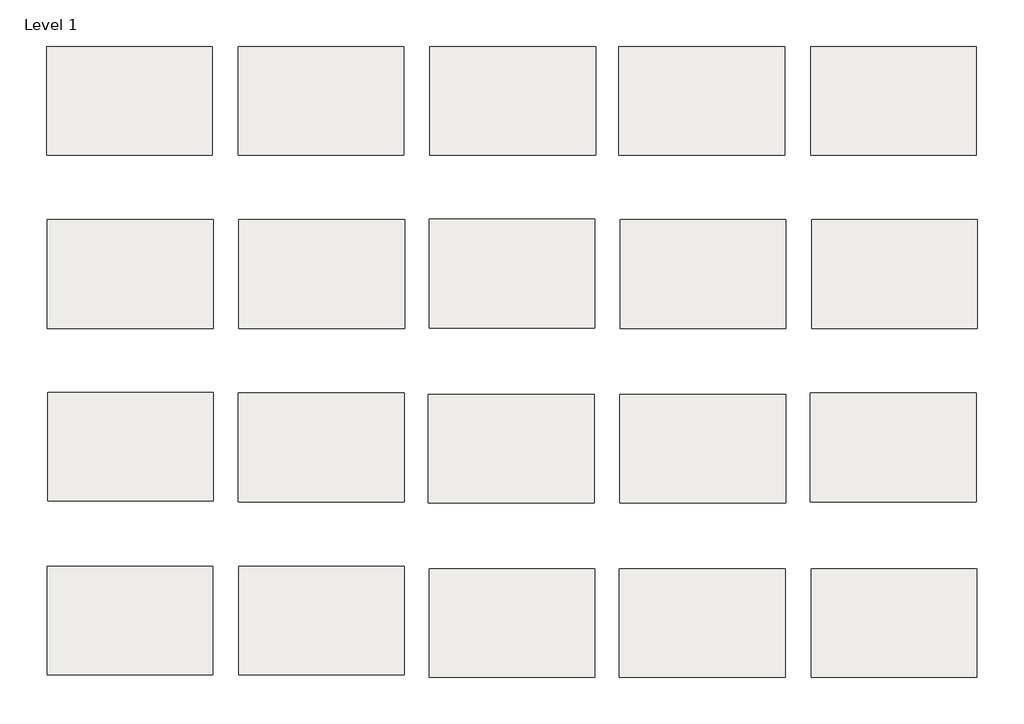
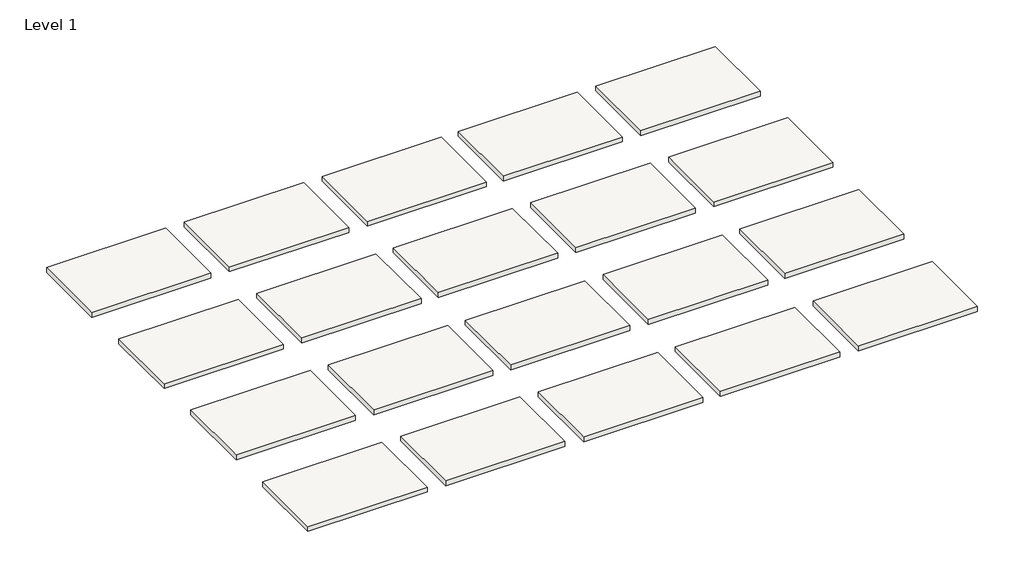
# One storey: 20 slabs.
"""IFC4 building model written with IfcOpenShell, lengths in millimetres."""

from ifc_helpers import new_model, si_unit, frame, origin, place, context, project, spatial, polyline, outline, extrude, element, save

model = new_model("IFC4")

# Units and contexts
model_context = context("Model", 3, world=origin())
ifc_project = project(units=[si_unit("LENGTHUNIT", "METRE", prefix="MILLI")], contexts=[model_context])

# Site, building, storey
site = spatial("IfcSite", under=ifc_project)
building = spatial("IfcBuilding", under=site)
storey = spatial("IfcBuildingStorey", under=building, Name="Level 1", Elevation=0.0)

# Slabs
placement = place(None, origin())
element("IfcSlab", 1, at=placement, inside=storey, context=model_context, shape_type="SweptSolid", body=[
    extrude(outline(polyline([(-4506.3287931, 8901.5063956), (-4506.3287931, 9168.2063956), (-4099.9287931, 9168.2063956), (-4099.9287931, 8901.5063956), (-4506.3287931, 8901.5063956)])), frame((0.0, 0.0, -17.4625), z_axis=(0.0, 0.0, 1.0), x_axis=(1.0, 0.0, 0.0)), (0.0, 0.0, 1.0), 17.4625),
])
element("IfcSlab", 2, at=placement, inside=storey, context=model_context, shape_type="SweptSolid", body=[
    extrude(outline(polyline([(-4036.4287931, 8901.5063956), (-4036.4287931, 9168.2063956), (-3630.0287931, 9168.2063956), (-3630.0287931, 8901.5063956), (-4036.4287931, 8901.5063956)])), frame((0.0, 0.0, -17.4625), z_axis=(0.0, 0.0, 1.0), x_axis=(1.0, 0.0, 0.0)), (0.0, 0.0, 1.0), 17.4625),
])
element("IfcSlab", 3, at=placement, inside=storey, context=model_context, shape_type="SweptSolid", body=[
    extrude(outline(polyline([(-3566.5287931, 8901.5063956), (-3566.5287931, 9168.2063956), (-3160.1287931, 9168.2063956), (-3160.1287931, 8901.5063956), (-3566.5287931, 8901.5063956)])), frame((0.0, 0.0, -17.4625), z_axis=(0.0, 0.0, 1.0), x_axis=(1.0, 0.0, 0.0)), (0.0, 0.0, 1.0), 17.4625),
])
element("IfcSlab", 4, at=placement, inside=storey, context=model_context, shape_type="SweptSolid", body=[
    extrude(outline(polyline([(-3102.9787931, 8901.5063956), (-3102.9787931, 9168.2063956), (-2696.5787931, 9168.2063956), (-2696.5787931, 8901.5063956), (-3102.9787931, 8901.5063956)])), frame((0.0, 0.0, -17.4625), z_axis=(0.0, 0.0, 1.0), x_axis=(1.0, 0.0, 0.0)), (0.0, 0.0, 1.0), 17.4625),
])
element("IfcSlab", 5, at=placement, inside=storey, context=model_context, shape_type="SweptSolid", body=[
    extrude(outline(polyline([(-2633.0787931, 8901.5063956), (-2633.0787931, 9168.2063956), (-2226.6787931, 9168.2063956), (-2226.6787931, 8901.5063956), (-2633.0787931, 8901.5063956)])), frame((0.0, 0.0, -17.4625), z_axis=(0.0, 0.0, 1.0), x_axis=(1.0, 0.0, 0.0)), (0.0, 0.0, 1.0), 17.4625),
])
element("IfcSlab", 6, at=placement, inside=storey, context=model_context, shape_type="SweptSolid", body=[
    extrude(outline(polyline([(-4504.4777662, 8476.7858803), (-4504.4777662, 8743.4858803), (-4098.0777662, 8743.4858803), (-4098.0777662, 8476.7858803), (-4504.4777662, 8476.7858803)])), frame((0.0, 0.0, -17.4625), z_axis=(0.0, 0.0, 1.0), x_axis=(1.0, 0.0, 0.0)), (0.0, 0.0, 1.0), 17.4625),
])
element("IfcSlab", 7, at=placement, inside=storey, context=model_context, shape_type="SweptSolid", body=[
    extrude(outline(polyline([(-4034.5777662, 8476.7858803), (-4034.5777662, 8743.4858803), (-3628.1777662, 8743.4858803), (-3628.1777662, 8476.7858803), (-4034.5777662, 8476.7858803)])), frame((0.0, 0.0, -17.4625), z_axis=(0.0, 0.0, 1.0), x_axis=(1.0, 0.0, 0.0)), (0.0, 0.0, 1.0), 17.4625),
])
element("IfcSlab", 8, at=placement, inside=storey, context=model_context, shape_type="SweptSolid", body=[
    extrude(outline(polyline([(-3568.3848601, 8477.8867532), (-3568.3848601, 8744.5867532), (-3161.9848601, 8744.5867532), (-3161.9848601, 8477.8867532), (-3568.3848601, 8477.8867532)])), frame((0.0, 0.0, -17.4625), z_axis=(0.0, 0.0, 1.0), x_axis=(1.0, 0.0, 0.0)), (0.0, 0.0, 1.0), 17.4625),
])
element("IfcSlab", 9, at=placement, inside=storey, context=model_context, shape_type="SweptSolid", body=[
    extrude(outline(polyline([(-3100.1858183, 8476.4486428), (-3100.1858183, 8743.1486428), (-2693.7858183, 8743.1486428), (-2693.7858183, 8476.4486428), (-3100.1858183, 8476.4486428)])), frame((0.0, 0.0, -17.4625), z_axis=(0.0, 0.0, 1.0), x_axis=(1.0, 0.0, 0.0)), (0.0, 0.0, 1.0), 17.4625),
])
element("IfcSlab", 10, at=placement, inside=storey, context=model_context, shape_type="SweptSolid", body=[
    extrude(outline(polyline([(-2630.2858183, 8476.4486428), (-2630.2858183, 8743.1486428), (-2223.8858183, 8743.1486428), (-2223.8858183, 8476.4486428), (-2630.2858183, 8476.4486428)])), frame((0.0, 0.0, -17.4625), z_axis=(0.0, 0.0, 1.0), x_axis=(1.0, 0.0, 0.0)), (0.0, 0.0, 1.0), 17.4625),
])
element("IfcSlab", 11, at=placement, inside=storey, context=model_context, shape_type="SweptSolid", body=[
    extrude(outline(polyline([(-4503.5978646, 8053.0773086), (-4503.5978646, 8319.7773086), (-4097.1978646, 8319.7773086), (-4097.1978646, 8053.0773086), (-4503.5978646, 8053.0773086)])), frame((0.0, 0.0, -17.4625), z_axis=(0.0, 0.0, 1.0), x_axis=(1.0, 0.0, 0.0)), (0.0, 0.0, 1.0), 17.4625),
])
element("IfcSlab", 12, at=placement, inside=storey, context=model_context, shape_type="SweptSolid", body=[
    extrude(outline(polyline([(-4036.1813519, 8050.9024723), (-4036.1813519, 8317.6024723), (-3629.7813519, 8317.6024723), (-3629.7813519, 8050.9024723), (-4036.1813519, 8050.9024723)])), frame((0.0, 0.0, -17.4625), z_axis=(0.0, 0.0, 1.0), x_axis=(1.0, 0.0, 0.0)), (0.0, 0.0, 1.0), 17.4625),
])
element("IfcSlab", 13, at=placement, inside=storey, context=model_context, shape_type="SweptSolid", body=[
    extrude(outline(polyline([(-3570.3285517, 8048.0751853), (-3570.3285517, 8314.7751853), (-3163.9285517, 8314.7751853), (-3163.9285517, 8048.0751853), (-3570.3285517, 8048.0751853)])), frame((0.0, 0.0, -17.4625), z_axis=(0.0, 0.0, 1.0), x_axis=(1.0, 0.0, 0.0)), (0.0, 0.0, 1.0), 17.4625),
])
element("IfcSlab", 14, at=placement, inside=storey, context=model_context, shape_type="SweptSolid", body=[
    extrude(outline(polyline([(-3100.4285517, 8048.0751853), (-3100.4285517, 8314.7751853), (-2694.0285517, 8314.7751853), (-2694.0285517, 8048.0751853), (-3100.4285517, 8048.0751853)])), frame((0.0, 0.0, -17.4625), z_axis=(0.0, 0.0, 1.0), x_axis=(1.0, 0.0, 0.0)), (0.0, 0.0, 1.0), 17.4625),
])
element("IfcSlab", 15, at=placement, inside=storey, context=model_context, shape_type="SweptSolid", body=[
    extrude(outline(polyline([(-2633.7035517, 8051.2501853), (-2633.7035517, 8317.9501853), (-2227.3035517, 8317.9501853), (-2227.3035517, 8051.2501853), (-2633.7035517, 8051.2501853)])), frame((0.0, 0.0, -17.4625), z_axis=(0.0, 0.0, 1.0), x_axis=(1.0, 0.0, 0.0)), (0.0, 0.0, 1.0), 17.4625),
])
element("IfcSlab", 16, at=placement, inside=storey, context=model_context, shape_type="SweptSolid", body=[
    extrude(outline(polyline([(-4505.1025248, 7626.52967), (-4505.1025248, 7893.22967), (-4098.7025248, 7893.22967), (-4098.7025248, 7626.52967), (-4505.1025248, 7626.52967)])), frame((0.0, 0.0, -17.4625), z_axis=(0.0, 0.0, 1.0), x_axis=(1.0, 0.0, 0.0)), (0.0, 0.0, 1.0), 17.4625),
])
element("IfcSlab", 17, at=placement, inside=storey, context=model_context, shape_type="SweptSolid", body=[
    extrude(outline(polyline([(-4035.2025248, 7626.52967), (-4035.2025248, 7893.22967), (-3628.8025248, 7893.22967), (-3628.8025248, 7626.52967), (-4035.2025248, 7626.52967)])), frame((0.0, 0.0, -17.4625), z_axis=(0.0, 0.0, 1.0), x_axis=(1.0, 0.0, 0.0)), (0.0, 0.0, 1.0), 17.4625),
])
element("IfcSlab", 18, at=placement, inside=storey, context=model_context, shape_type="SweptSolid", body=[
    extrude(outline(polyline([(-3568.4775248, 7620.17967), (-3568.4775248, 7886.87967), (-3162.0775248, 7886.87967), (-3162.0775248, 7620.17967), (-3568.4775248, 7620.17967)])), frame((0.0, 0.0, -17.4625), z_axis=(0.0, 0.0, 1.0), x_axis=(1.0, 0.0, 0.0)), (0.0, 0.0, 1.0), 17.4625),
])
element("IfcSlab", 19, at=placement, inside=storey, context=model_context, shape_type="SweptSolid", body=[
    extrude(outline(polyline([(-3101.7525248, 7620.17967), (-3101.7525248, 7886.87967), (-2695.3525248, 7886.87967), (-2695.3525248, 7620.17967), (-3101.7525248, 7620.17967)])), frame((0.0, 0.0, -17.4625), z_axis=(0.0, 0.0, 1.0), x_axis=(1.0, 0.0, 0.0)), (0.0, 0.0, 1.0), 17.4625),
])
element("IfcSlab", 20, at=placement, inside=storey, context=model_context, shape_type="SweptSolid", body=[
    extrude(outline(polyline([(-2631.8525248, 7620.17967), (-2631.8525248, 7886.87967), (-2225.4525248, 7886.87967), (-2225.4525248, 7620.17967), (-2631.8525248, 7620.17967)])), frame((0.0, 0.0, -17.4625), z_axis=(0.0, 0.0, 1.0), x_axis=(1.0, 0.0, 0.0)), (0.0, 0.0, 1.0), 17.4625),
])

save(model, "model.ifc")
